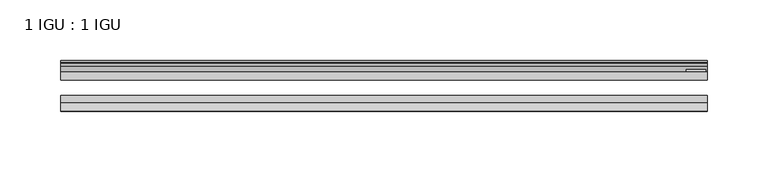
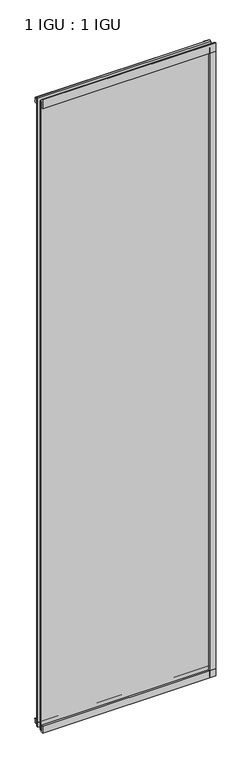
"""IFC4 building model written with IfcOpenShell, lengths in millimetres: plate geometry, 1 IGU : 1 IGU."""

from ifc_helpers import new_model, si_unit, point, frame, frame_2d, origin, place, context, project, spatial, polyline, circle_curve, trimmed, segment, composite_curve, outline, extrude, source, transform, mapped, element, save


def plate_1_igu_1_igu_e2439488(model_context):
    return source(origin(), model_context, "Body", "SweptSolid", [
        extrude(outline(polyline([(265.11885, 0.0021347), (265.11885, -6.2992), (-265.11885, -6.2992), (-265.11885, 0.0021347), (265.11885, 0.0021347)])), frame((0.0, 0.0, -19.05), z_axis=(0.0, 0.0, 1.0), x_axis=(1.0, 0.0, 0.0)), (0.0, 0.0, 1.0), 2036.7580337),
        extrude(outline(polyline([(-265.11885, -19.0986653), (265.11885, -19.0986653), (265.11885, -25.3978653), (-265.11885, -25.3978653), (-265.11885, -19.0986653)])), frame((0.0, 0.0, -19.05), z_axis=(0.0, 0.0, 1.0), x_axis=(1.0, 0.0, 0.0)), (0.0, 0.0, 1.0), 2036.7580337),
        extrude(outline(composite_curve([segment(polyline([(-31.75, 0.0), (-25.4, 0.0), (-25.4, -22.225)]), True, "CONTINUOUS"), segment(trimmed(circle_curve(frame_2d((-28.575, -28.9113452)), 7.4018806), [point((-25.4, -22.225))], [point((-31.75, -22.225))], True, "CARTESIAN"), True, "CONTINUOUS"), segment(polyline([(-31.75, -22.225), (-31.75, 0.0)]), True, "CONTINUOUS")], self_intersect=False)), frame((-265.11885, 0.0, 0.0), z_axis=(1.0, 0.0, 0.0), x_axis=(0.0, 1.0, 0.0)), (0.0, 0.0, 1.0), 530.2377),
        extrude(outline(composite_curve([segment(trimmed(circle_curve(frame_2d((13.6593785, 32.4202472)), 31.3046461), [point((0.0, 4.2528503))], [point((9.3980339, 1.406995))], True, "CARTESIAN"), True, "CONTINUOUS"), segment(polyline([(9.3980339, 1.406995), (9.3980339, 0.0254), (6.35, 0.0254), (6.35, -5.1625788), (7.7309478, -5.3970663), (6.35, -8.0073788), (6.35, -11.8471127)]), True, "CONTINUOUS"), segment(trimmed(circle_curve(frame_2d((5.334, -11.8471127)), 1.016), [point((6.35, -11.8471127))], [point((4.6284878, -12.5782136))], False, "CARTESIAN"), True, "CONTINUOUS"), segment(trimmed(circle_curve(frame_2d((-23.3689302, -41.5910901)), 40.3187601), [point((4.6284878, -12.5782136))], [point((0.0, -8.735413))], True, "CARTESIAN"), True, "CONTINUOUS"), segment(polyline([(0.0, -8.735413), (0.0, 4.2528503)]), True, "CONTINUOUS")], self_intersect=False)), frame((-265.11885, 0.0, 0.0), z_axis=(1.0, 0.0, 0.0), x_axis=(0.0, 1.0, 0.0)), (0.0, 0.0, 1.0), 530.2377),
        extrude(outline(composite_curve([segment(trimmed(circle_curve(frame_2d((-23.3689302, 2041.8747237)), 40.3187601), [point((0.0, 2009.0190467))], [point((4.9746073, 2013.1998864))], True, "CARTESIAN"), True, "CONTINUOUS"), segment(trimmed(circle_curve(frame_2d((5.8674, 2012.2966582)), 1.27), [point((4.9746073, 2013.1998864))], [point((7.1374, 2012.2966582))], False, "CARTESIAN"), True, "CONTINUOUS"), segment(polyline([(7.1374, 2012.2966582), (7.1374, 2007.8958505), (7.7309478, 2005.6806999), (6.35, 2005.4462125), (6.35, 2000.2582337), (9.3980339, 2000.2582337), (9.3980339, 1998.8766387)]), True, "CONTINUOUS"), segment(trimmed(circle_curve(frame_2d((13.6593785, 1967.8633864)), 31.3046461), [point((9.3980339, 1998.8766387))], [point((0.0, 1996.0307834))], True, "CARTESIAN"), True, "CONTINUOUS"), segment(polyline([(0.0, 1996.0307834), (0.0, 2009.0190467)]), True, "CONTINUOUS")], self_intersect=False)), frame((-265.11885, 0.0, 0.0), z_axis=(1.0, 0.0, 0.0), x_axis=(0.0, 1.0, 0.0)), (0.0, 0.0, 1.0), 530.2377),
        extrude(outline(composite_curve([segment(polyline([(-25.4, 2025.6582337), (-25.4, 2000.2582337), (-31.75, 2000.2582337), (-31.75, 2028.431131)]), True, "CONTINUOUS"), segment(trimmed(circle_curve(frame_2d((-24.1401272, 2037.2006452)), 11.6109665), [point((-31.75, 2028.431131))], [point((-25.4, 2025.6582337))], True, "CARTESIAN"), True, "CONTINUOUS")], self_intersect=False)), frame((-265.11885, 0.0, 0.0), z_axis=(1.0, 0.0, 0.0), x_axis=(0.0, 1.0, 0.0)), (0.0, 0.0, 1.0), 530.2377),
        extrude(outline(composite_curve([segment(polyline([(246.06885, -25.4), (265.11885, -25.4)]), True, "CONTINUOUS"), segment(trimmed(circle_curve(frame_2d((274.5850007, -28.575)), 9.9844196), [point((265.11885, -25.4))], [point((265.11885, -31.75))], True, "CARTESIAN"), True, "CONTINUOUS"), segment(polyline([(265.11885, -31.75), (246.06885, -31.75), (246.06885, -25.4)]), True, "CONTINUOUS")], self_intersect=False)), frame((0.0, 0.0, -19.05), z_axis=(0.0, 0.0, 1.0), x_axis=(1.0, 0.0, 0.0)), (0.0, 0.0, 1.0), 2036.7580337),
        extrude(outline(polyline([(263.91235, 2.2860088), (263.91235, 0.0021347), (248.03735, 0.0021347), (248.03735, 2.2860088), (263.91235, 2.2860088)])), frame((0.0, 0.0, -19.05), z_axis=(0.0, 0.0, 1.0), x_axis=(1.0, 0.0, 0.0)), (0.0, 0.0, 1.0), 2036.7580337),
    ])


if __name__ == "__main__":
    model = new_model("IFC4")
    model_context = context("Model", 3, world=origin())
    ifc_project = project(units=[si_unit("LENGTHUNIT", "METRE", prefix="MILLI")], contexts=[model_context])
    site = spatial("IfcSite", under=ifc_project)
    building = spatial("IfcBuilding", under=site)
    placement = place(None, origin())
    plate_1_igu_1_igu_shape = plate_1_igu_1_igu_e2439488(model_context)
    element("IfcPlate", 1, ObjectType="1 IGU : 1 IGU", at=placement, inside=building, context=model_context, shape_type="MappedRepresentation", body=[
        mapped(plate_1_igu_1_igu_shape, transform((0.0, 0.0, 0.0), x_axis=(1.0, 0.0, 0.0), y_axis=(0.0, 1.0, 0.0), z_axis=(0.0, 0.0, 1.0))),
    ])
    save(model, "model.ifc")
